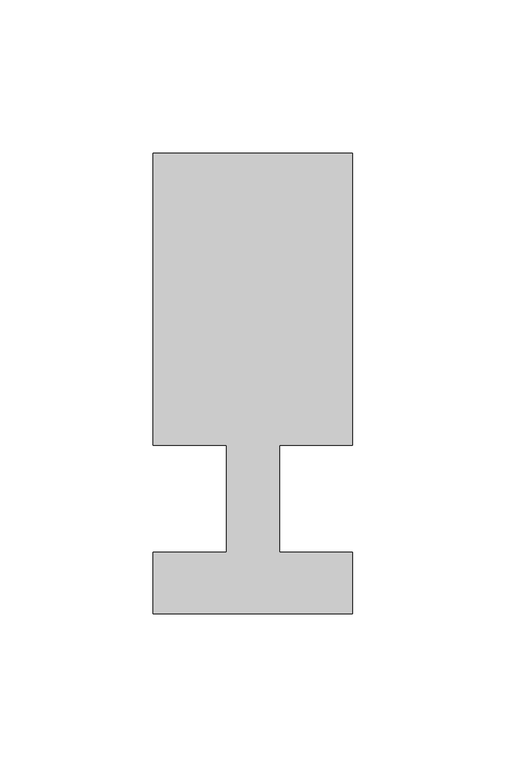
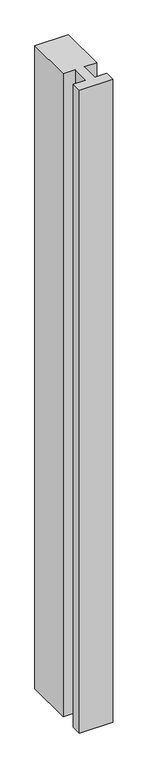
"""IFC4 building model written with IfcOpenShell, lengths in millimetres: member geometry."""

from ifc_helpers import new_model, si_unit, frame, origin, place, context, project, spatial, polyline, outline, extrude, source, transform, mapped, element, save


def member_7695f10c(model_context):
    return source(origin(), model_context, "Body", "SweptSolid", [
        extrude(outline(polyline([(-65.0, -37.0), (-65.0, -17.0), (-41.1875, -17.0), (-41.1875, 18.0), (-65.0, 18.0), (-65.0, 113.0), (0.0, 113.0), (0.0, 18.0), (-23.8125, 18.0), (-23.8125, -17.0), (0.0, -17.0), (0.0, -37.0), (-65.0, -37.0)])), frame((0.0, 0.0, -1322.5), z_axis=(0.0, 0.0, 1.0), x_axis=(1.0, 0.0, 0.0)), (0.0, 0.0, 1.0), 1322.5),
    ])


if __name__ == "__main__":
    model = new_model("IFC4")
    model_context = context("Model", 3, world=origin())
    ifc_project = project(units=[si_unit("LENGTHUNIT", "METRE", prefix="MILLI")], contexts=[model_context])
    site = spatial("IfcSite", under=ifc_project)
    building = spatial("IfcBuilding", under=site)
    placement = place(None, origin())
    member_shape = member_7695f10c(model_context)
    element("IfcMember", 1, at=placement, inside=building, context=model_context, shape_type="MappedRepresentation", body=[
        mapped(member_shape, transform((0.0, 0.0, 0.0), x_axis=(1.0, 0.0, 0.0), y_axis=(0.0, 1.0, 0.0), z_axis=(0.0, 0.0, 1.0))),
    ])
    save(model, "model.ifc")
